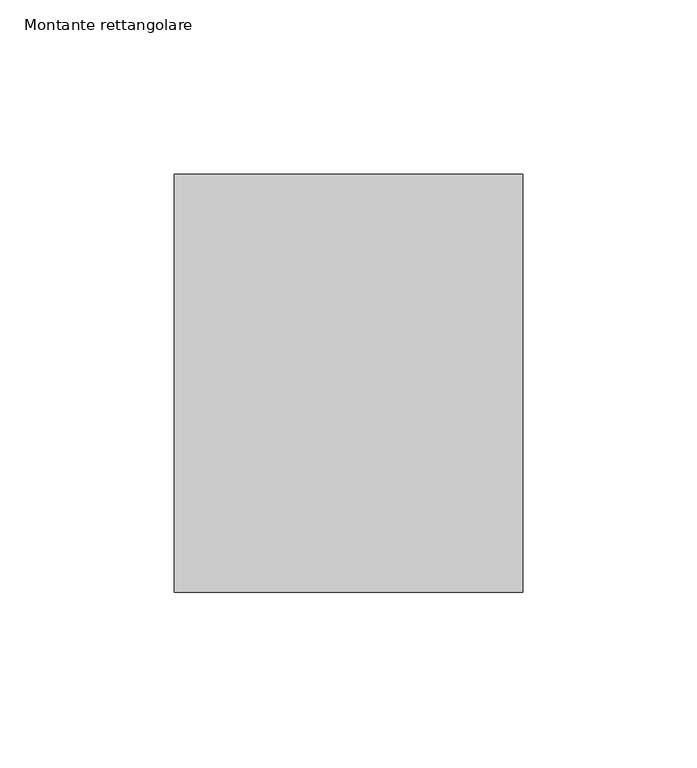
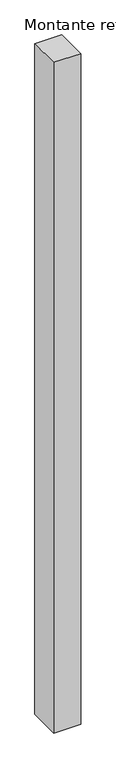
"""IFC4 building model written with IfcOpenShell, lengths in millimetres: member geometry, Montante rettangolare."""

from ifc_helpers import new_model, si_unit, frame, origin, place, context, project, spatial, polyline, outline, extrude, source, transform, mapped, element, save


def montante_rettangolare_36f01375(model_context):
    return source(origin(), model_context, "Body", "SweptSolid", [
        extrude(outline(polyline([(0.0, 60.0), (0.0, -60.0), (-100.0, -60.0), (-100.0, 60.0), (0.0, 60.0)])), frame((0.0, 0.0, -2620.5898553), z_axis=(0.0, 0.0, 1.0), x_axis=(1.0, 0.0, 0.0)), (0.0, 0.0, 1.0), 2620.5898553),
    ])


if __name__ == "__main__":
    model = new_model("IFC4")
    model_context = context("Model", 3, world=origin())
    ifc_project = project(units=[si_unit("LENGTHUNIT", "METRE", prefix="MILLI")], contexts=[model_context])
    site = spatial("IfcSite", under=ifc_project)
    building = spatial("IfcBuilding", under=site)
    placement = place(None, origin())
    montante_rettangolare_shape = montante_rettangolare_36f01375(model_context)
    element("IfcMember", 1, ObjectType="Montante rettangolare", at=placement, inside=building, context=model_context, shape_type="MappedRepresentation", body=[
        mapped(montante_rettangolare_shape, transform((0.0, 0.0, 0.0), x_axis=(1.0, 0.0, 0.0), y_axis=(0.0, 1.0, 0.0), z_axis=(0.0, 0.0, 1.0))),
    ])
    save(model, "model.ifc")
